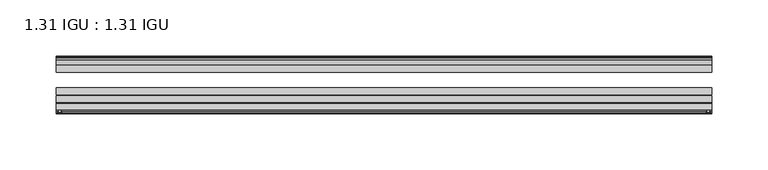
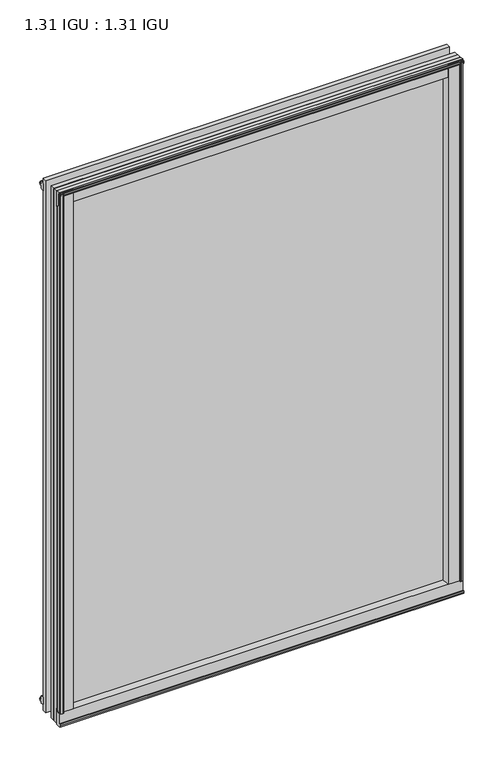
"""IFC4 building model written with IfcOpenShell, lengths in millimetres: plate geometry, 1.31 IGU : 1.31 IGU."""

from ifc_helpers import new_model, si_unit, point, frame, frame_2d, origin, origin_with_axes, place, context, project, spatial, polyline, circle_curve, trimmed, segment, composite_curve, outline, extrude, source, transform, mapped, element, save


def plate_1_31_igu_1_31_igu_bcd8246b(model_context):
    return source(origin(), model_context, "Body", "SweptSolid", [
        extrude(outline(composite_curve([segment(polyline([(287.3495906, -57.6333938), (271.1648437, -57.6333938)]), True, "CONTINUOUS"), segment(trimmed(circle_curve(frame_2d((263.8701146, -57.6547678)), 7.2947605), [point((271.1648437, -57.6333938))], [point((267.4224551, -51.2833938))], True, "CARTESIAN"), True, "CONTINUOUS"), segment(polyline([(267.4224551, -51.2833938), (290.292876, -51.2833938)]), True, "CONTINUOUS"), segment(trimmed(circle_curve(frame_2d((290.292876, -52.0707938)), 0.7874), [point((290.292876, -51.2833938))], [point((291.0744069, -51.9748338))], False, "CARTESIAN"), True, "CONTINUOUS"), segment(polyline([(291.0744069, -51.9748338), (291.7691906, -57.6333938), (289.8387906, -57.6333938), (289.3815906, -59.624458), (290.3829525, -59.3561439), (290.6261906, -60.263921), (288.5941906, -60.8083938), (286.5621906, -60.263921), (286.8054288, -59.3561439), (287.8067906, -59.624458), (287.3495906, -57.6333938)]), True, "CONTINUOUS")], self_intersect=False)), origin_with_axes(), (0.0, 0.0, 1.0), 793.75),
        extrude(outline(composite_curve([segment(polyline([(-271.4625, -57.6333937), (-287.6472469, -57.6333937), (-288.1044469, -59.624458), (-287.103085, -59.3561439), (-286.8598469, -60.263921), (-288.8918469, -60.8083937), (-290.9238469, -60.263921), (-290.6806088, -59.3561439), (-289.6792469, -59.624458), (-290.1364469, -57.6333937), (-292.0668469, -57.6333937), (-291.3720631, -51.9748338)]), True, "CONTINUOUS"), segment(trimmed(circle_curve(frame_2d((-290.5905323, -52.0707937)), 0.7874), [point((-291.3720631, -51.9748338))], [point((-290.5905323, -51.2833937))], False, "CARTESIAN"), True, "CONTINUOUS"), segment(polyline([(-290.5905323, -51.2833937), (-267.7201114, -51.2833937)]), True, "CONTINUOUS"), segment(trimmed(circle_curve(frame_2d((-264.1677708, -57.6547678)), 7.2947605), [point((-267.7201114, -51.2833937))], [point((-271.4625, -57.6333937))], True, "CARTESIAN"), True, "CONTINUOUS")], self_intersect=False)), origin_with_axes(), (0.0, 0.0, 1.0), 793.75),
        extrude(outline(polyline([(-9.7543937, -6.8579998), (-10.4009552, -9.2709998), (-11.2596632, -9.0409097), (-10.8839895, -7.6388763), (-13.1833937, -8.3819998), (-13.1833937, -11.7850089), (-17.9585937, -10.1533914), (-17.9585937, 0.6595133), (-13.1833937, -0.5079998), (-13.1833937, -5.4609998), (-10.8839895, -6.0771233), (-11.2596632, -4.6750899), (-10.4009552, -4.4449998), (-9.7543937, -6.8579998)])), frame((-292.1, 0.0, 0.0), z_axis=(1.0, 0.0, 0.0), x_axis=(0.0, 1.0, 0.0)), (0.0, 0.0, 1.0), 583.9023438),
        extrude(outline(composite_curve([segment(polyline([(-51.9748338, -19.930016), (-57.6333937, -20.6247998), (-57.6333937, -18.6943998), (-59.624458, -18.2371998), (-59.3561439, -19.2385617), (-60.263921, -19.4817998), (-60.8083937, -17.4497998), (-60.263921, -15.4177998), (-59.3561439, -15.6610379), (-59.624458, -16.6623998), (-57.6333937, -16.2051998), (-57.6333937, 0.0127002)]), True, "CONTINUOUS"), segment(trimmed(circle_curve(frame_2d((-58.1588233, 7.9620141)), 7.9666598), [point((-57.6333937, 0.0127002))], [point((-51.2833937, 3.9375717))], True, "CARTESIAN"), True, "CONTINUOUS"), segment(polyline([(-51.2833937, 3.9375717), (-51.2833937, -19.1484852)]), True, "CONTINUOUS"), segment(trimmed(circle_curve(frame_2d((-52.0707937, -19.1484852)), 0.7874), [point((-51.2833937, -19.1484852))], [point((-51.9748338, -19.930016))], False, "CARTESIAN"), True, "CONTINUOUS")], self_intersect=False)), frame((-292.1, 0.0, 0.0), z_axis=(1.0, 0.0, 0.0), x_axis=(0.0, 1.0, 0.0)), (0.0, 0.0, 1.0), 583.9023438),
        extrude(outline(polyline([(-17.9585937, 784.8533914), (-13.1833937, 786.4850089), (-13.1833937, 783.0819998), (-10.8839895, 782.3388763), (-11.2596632, 783.7409097), (-10.4009552, 783.9709998), (-9.7543937, 781.5579998), (-10.4009552, 779.1449998), (-11.2596632, 779.3750899), (-10.8839895, 780.7771233), (-13.1833937, 780.1609998), (-13.1833937, 775.2079998), (-17.9585937, 774.0404867), (-17.9585937, 784.8533914)])), frame((-292.1, 0.0, 0.0), z_axis=(1.0, 0.0, 0.0), x_axis=(0.0, 1.0, 0.0)), (0.0, 0.0, 1.0), 583.9023438),
        extrude(outline(composite_curve([segment(trimmed(circle_curve(frame_2d((-52.0707937, 793.8484852)), 0.7874), [point((-51.9748338, 794.630016))], [point((-51.2833937, 793.8484852))], False, "CARTESIAN"), True, "CONTINUOUS"), segment(polyline([(-51.2833937, 793.8484852), (-51.2833937, 770.7624283)]), True, "CONTINUOUS"), segment(trimmed(circle_curve(frame_2d((-58.1588233, 766.7379859)), 7.9666598), [point((-51.2833937, 770.7624283))], [point((-57.6333937, 774.6872998))], True, "CARTESIAN"), True, "CONTINUOUS"), segment(polyline([(-57.6333937, 774.6872998), (-57.6333937, 790.9051998), (-59.624458, 791.3623998), (-59.3561439, 790.3610379), (-60.263921, 790.1177998), (-60.8083937, 792.1497998), (-60.263921, 794.1817998), (-59.3561439, 793.9385617), (-59.624458, 792.9371998), (-57.6333937, 793.3943998), (-57.6333937, 795.3247998), (-51.9748338, 794.630016)]), True, "CONTINUOUS")], self_intersect=False)), frame((-292.1, 0.0, 0.0), z_axis=(1.0, 0.0, 0.0), x_axis=(0.0, 1.0, 0.0)), (0.0, 0.0, 1.0), 583.9023438),
        extrude(outline(polyline([(-280.6888763, -10.8839895), (-282.0909097, -11.2596632), (-282.3209998, -10.4009552), (-279.9079998, -9.7543937), (-277.4949998, -10.4009552), (-277.7250899, -11.2596632), (-279.1271233, -10.8839895), (-278.5109998, -13.1833937), (-273.5579998, -13.1833937), (-272.3904867, -17.9585937), (-283.2033914, -17.9585937), (-284.8350089, -13.1833937), (-281.4319998, -13.1833937), (-280.6888763, -10.8839895)])), origin_with_axes(), (0.0, 0.0, 1.0), 774.7),
        extrude(outline(polyline([(280.7015765, -10.8839895), (281.4447, -13.1833937), (284.8477091, -13.1833937), (283.2160916, -17.9585937), (272.4031869, -17.9585937), (273.5707, -13.1833937), (278.5237, -13.1833937), (279.1398235, -10.8839895), (277.7377901, -11.2596632), (277.5077, -10.4009552), (279.9207, -9.7543937), (282.3337, -10.4009552), (282.1036099, -11.2596632), (280.7015765, -10.8839895)])), origin_with_axes(), (0.0, 0.0, 1.0), 774.7),
        extrude(outline(polyline([(291.8023437, -17.9585937), (291.8023437, -24.3085937), (-292.1, -24.3085937), (-292.1, -17.9585937), (291.8023437, -17.9585937)])), frame((0.0, 0.0, -19.0372998), z_axis=(0.0, 0.0, 1.0), x_axis=(1.0, 0.0, 0.0)), (0.0, 0.0, 1.0), 812.7872998),
        extrude(outline(polyline([(-292.1, -44.1459937), (-292.1, -37.7959937), (291.8023437, -37.7959937), (291.8023437, -44.1459937), (-292.1, -44.1459937)])), frame((0.0, 0.0, -19.0372998), z_axis=(0.0, 0.0, 1.0), x_axis=(1.0, 0.0, 0.0)), (0.0, 0.0, 1.0), 812.7872998),
        extrude(outline(polyline([(-292.1, -51.2833937), (-292.1, -44.9333937), (291.8023437, -44.9333937), (291.8023437, -51.2833937), (-292.1, -51.2833937)])), frame((0.0, 0.0, -19.0372998), z_axis=(0.0, 0.0, 1.0), x_axis=(1.0, 0.0, 0.0)), (0.0, 0.0, 1.0), 812.7872998),
    ])


if __name__ == "__main__":
    model = new_model("IFC4")
    model_context = context("Model", 3, world=origin())
    ifc_project = project(units=[si_unit("LENGTHUNIT", "METRE", prefix="MILLI")], contexts=[model_context])
    site = spatial("IfcSite", under=ifc_project)
    building = spatial("IfcBuilding", under=site)
    placement = place(None, origin())
    plate_1_31_igu_1_31_igu_shape = plate_1_31_igu_1_31_igu_bcd8246b(model_context)
    element("IfcPlate", 1, ObjectType="1.31 IGU : 1.31 IGU", at=placement, inside=building, context=model_context, shape_type="MappedRepresentation", body=[
        mapped(plate_1_31_igu_1_31_igu_shape, transform((0.0, 0.0, 0.0), x_axis=(1.0, 0.0, 0.0), y_axis=(0.0, 1.0, 0.0), z_axis=(0.0, 0.0, 1.0))),
    ])
    save(model, "model.ifc")
